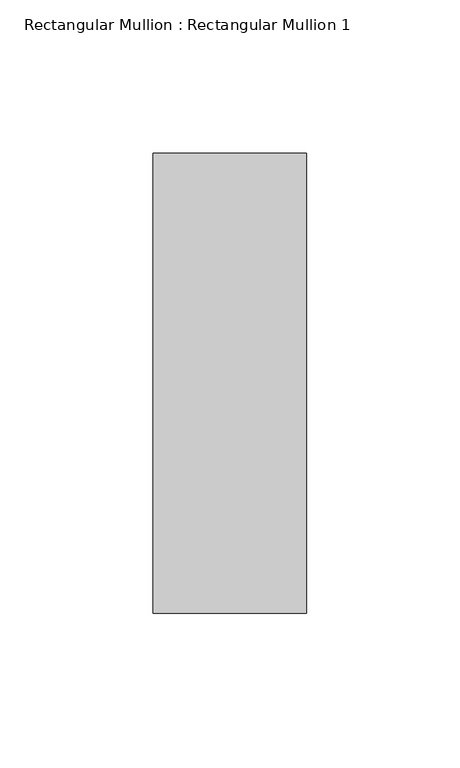
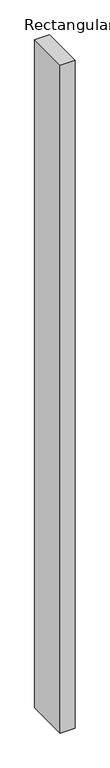
"""IFC4 building model written with IfcOpenShell, lengths in millimetres: member geometry, Rectangular Mullion : Rectangular Mullion 1."""

from ifc_helpers import new_model, si_unit, frame, origin, place, context, project, spatial, polyline, outline, extrude, source, transform, mapped, element, save


def rectangular_mullion_rectangular_mullion_1_662c37b1(model_context):
    return source(origin(), model_context, "Body", "SweptSolid", [
        extrude(outline(polyline([(0.0, 75.0), (0.0, -75.0), (-50.0, -75.0), (-50.0, 75.0), (0.0, 75.0)])), frame((0.0, 0.0, -2400.0), z_axis=(0.0, 0.0, 1.0), x_axis=(1.0, 0.0, 0.0)), (0.0, 0.0, 1.0), 2400.0),
    ])


if __name__ == "__main__":
    model = new_model("IFC4")
    model_context = context("Model", 3, world=origin())
    ifc_project = project(units=[si_unit("LENGTHUNIT", "METRE", prefix="MILLI")], contexts=[model_context])
    site = spatial("IfcSite", under=ifc_project)
    building = spatial("IfcBuilding", under=site)
    placement = place(None, origin())
    rectangular_mullion_rectangular_mullion_1_shape = rectangular_mullion_rectangular_mullion_1_662c37b1(model_context)
    element("IfcMember", 1, ObjectType="Rectangular Mullion : Rectangular Mullion 1", at=placement, inside=building, context=model_context, shape_type="MappedRepresentation", body=[
        mapped(rectangular_mullion_rectangular_mullion_1_shape, transform((0.0, 0.0, 0.0), x_axis=(1.0, 0.0, 0.0), y_axis=(0.0, 1.0, 0.0), z_axis=(0.0, 0.0, 1.0))),
    ])
    save(model, "model.ifc")
